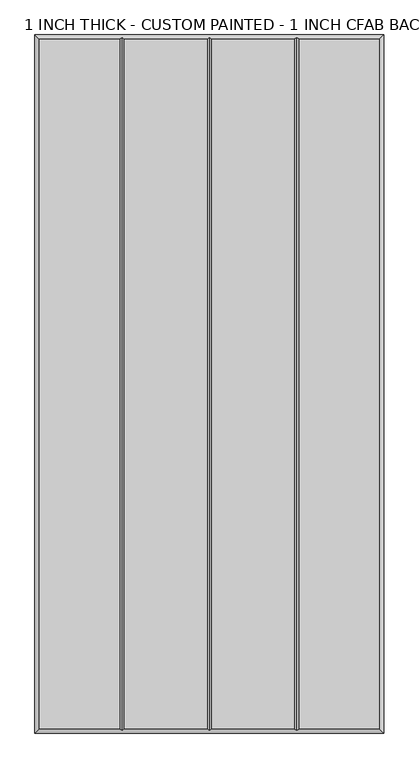
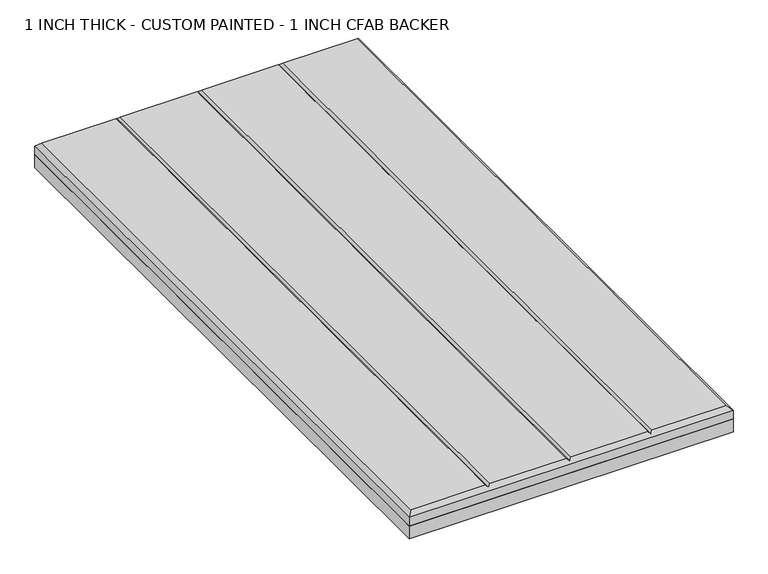
"""IFC4 building model written with IfcOpenShell, lengths in millimetres: proxy geometry, 1 INCH THICK - CUSTOM PAINTED - 1 INCH CFAB BACKER."""

import ifcopenshell
import ifcopenshell.guid

model = None  # the IFC model being written
_history = None  # IfcOwnerHistory: only IFC2X3 demands one
_inside = {}  # id of a spatial element -> (the spatial element, [elements in it])
_under = {}  # id of a project, library or spatial element -> (it, [spatial elements below it])
_declared = {}  # id of a project -> (the project, [libraries it declares])
_typed = {}  # id of a type object -> (the type object, [elements of that type])
_made_of = {}  # id of a material, layer set ... -> (it, [elements and type objects made of it])


def new_model(schema):
    """Start an empty IFC model of exactly this schema.

    Asked for "IFC4X3", IfcOpenShell would pick the latest addendum, in which some entities
    have other attributes; the version numbers below select the first issue.
    IFC2X3 requires an IfcOwnerHistory on every rooted entity: one is made here for all.
    """
    global model, _history
    if schema == "IFC4X3":
        model = ifcopenshell.file(schema_version=(4, 3, 0, 0))
    else:
        model = ifcopenshell.file(schema=schema)
    _inside.clear()
    _under.clear()
    _declared.clear()
    _typed.clear()
    _made_of.clear()
    _history = None
    if model.schema == "IFC2X3":
        org = make("IfcOrganization", Name="unknown")
        user = make(
            "IfcPersonAndOrganization",
            ThePerson=make("IfcPerson", FamilyName="unknown"),
            TheOrganization=org,
        )
        app = make(
            "IfcApplication",
            ApplicationDeveloper=org,
            Version="unknown",
            ApplicationFullName="unknown",
            ApplicationIdentifier="unknown",
        )
        _history = make(
            "IfcOwnerHistory",
            OwningUser=user,
            OwningApplication=app,
            ChangeAction="ADDED",
            CreationDate=0,
        )
    return model


def make(cls, **values):
    """One entity of the class cls with the attributes given. An attribute that is None is left unset."""
    return model.create_entity(
        cls, **{name: value for name, value in values.items() if value is not None}
    )


def rooted(cls, **values):
    """An entity with a GlobalId (a new one), such as an element, a storey or a relation."""
    return make(cls, GlobalId=ifcopenshell.guid.new(), OwnerHistory=_history, **values)


def si_unit(unit_type, name, prefix=None):
    """IfcSIUnit, for example si_unit("LENGTHUNIT", "METRE", prefix="MILLI")."""
    return make("IfcSIUnit", UnitType=unit_type, Prefix=prefix, Name=name)


def assignment(units):
    """IfcUnitAssignment: the units of a project."""
    return None if units is None else make("IfcUnitAssignment", Units=units)


def point(xyz):
    """IfcCartesianPoint."""
    return None if xyz is None else make("IfcCartesianPoint", Coordinates=xyz)


def direction(xyz):
    """IfcDirection."""
    return None if xyz is None else make("IfcDirection", DirectionRatios=xyz)


def frame(location, z_axis=None, x_axis=None):
    """IfcAxis2Placement3D, a coordinate frame: its origin and axes. An axis left out is left unset."""
    return make(
        "IfcAxis2Placement3D",
        Location=point(location),
        Axis=direction(z_axis),
        RefDirection=direction(x_axis),
    )


def origin():
    """The frame at (0, 0, 0) with its axes left unset."""
    return frame((0.0, 0.0, 0.0))


def place(relative_to, where):
    """IfcLocalPlacement: puts the frame where relative to a parent placement (None: the world)."""
    return make(
        "IfcLocalPlacement", PlacementRelTo=relative_to, RelativePlacement=where
    )


def context(
    kind, dimensions, precision=None, world=None, true_north=None, identifier=None
):
    """IfcGeometricRepresentationContext, for example the 3D "Model" context."""
    return make(
        "IfcGeometricRepresentationContext",
        ContextIdentifier=identifier,
        ContextType=kind,
        CoordinateSpaceDimension=dimensions,
        Precision=precision,
        WorldCoordinateSystem=world,
        TrueNorth=true_north,
    )


def project(units=None, contexts=None):
    """IfcProject with its units and contexts."""
    return rooted(
        "IfcProject",
        Name="project",
        RepresentationContexts=contexts,
        UnitsInContext=assignment(units),
    )


def spatial(cls, under=None, at=None, **own):
    """A site, building, storey or space (cls), placed at a placement, below another one or the project."""
    s = rooted(cls, ObjectPlacement=at, **own)
    if under is not None:
        _under.setdefault(under.id(), (under, []))[1].append(s)
    return s


def polyline(points):
    """IfcPolyline through the points."""
    return make("IfcPolyline", Points=[point(p) for p in points])


def outline(outer, holes=None, kind="AREA"):
    """IfcArbitraryClosedProfileDef: a profile drawn as a closed curve; with holes, ...WithVoids."""
    if holes is None:
        return make("IfcArbitraryClosedProfileDef", ProfileType=kind, OuterCurve=outer)
    return make(
        "IfcArbitraryProfileDefWithVoids",
        ProfileType=kind,
        OuterCurve=outer,
        InnerCurves=holes,
    )


def extrude(swept, where, along, depth):
    """IfcExtrudedAreaSolid: the profile swept, set in the frame where, extruded along a direction by depth."""
    return make(
        "IfcExtrudedAreaSolid",
        SweptArea=swept,
        Position=where,
        ExtrudedDirection=direction(along),
        Depth=depth,
    )


def faces_of(points, faces, orient=None, outer=None):
    """IfcFace entities. A face is a list of loops; a loop is a list of indices into points, from 0.

    orient and outer hold one flag for each loop. By default every Orientation is true, the
    first loop of a face is its IfcFaceOuterBound and the others are IfcFaceBound.
    """
    made = []
    for i, loops in enumerate(faces):
        bounds = []
        for j, loop in enumerate(loops):
            is_outer = j == 0 if outer is None else outer[i][j]
            bounds.append(
                make(
                    "IfcFaceOuterBound" if is_outer else "IfcFaceBound",
                    Bound=make("IfcPolyLoop", Polygon=[points[k] for k in loop]),
                    Orientation=True if orient is None else orient[i][j],
                )
            )
        made.append(make("IfcFace", Bounds=bounds))
    return made


def faceted_brep(points, faces, orient=None, outer=None, voids=None):
    """IfcFacetedBrep: a solid bounded by flat faces; with voids (closed shells), ...WithVoids."""
    shared = [point(p) for p in points]
    hull = make("IfcClosedShell", CfsFaces=faces_of(shared, faces, orient, outer))
    if voids is None:
        return make("IfcFacetedBrep", Outer=hull)
    return make(
        "IfcFacetedBrepWithVoids",
        Outer=hull,
        Voids=[
            make(cls, CfsFaces=faces_of(shared, fs, o, b)) for cls, fs, o, b in voids
        ],
    )


def shape(context_of_items, identifier, shape_type, items):
    """IfcShapeRepresentation: the items that make up one representation, for example the "Body"."""
    return make(
        "IfcShapeRepresentation",
        ContextOfItems=context_of_items,
        RepresentationIdentifier=identifier,
        RepresentationType=shape_type,
        Items=items,
    )


def source(mapping_origin, context_of_items, identifier, shape_type, items):
    """IfcRepresentationMap: a shape defined once, which mapped items show again and again."""
    return make(
        "IfcRepresentationMap",
        MappingOrigin=mapping_origin,
        MappedRepresentation=shape(context_of_items, identifier, shape_type, items),
    )


def transform(
    local_origin,
    x_axis=None,
    y_axis=None,
    z_axis=None,
    scale=None,
    scale2=None,
    scale3=None,
    uniform=True,
):
    """IfcCartesianTransformationOperator3D, or its non-uniform kind. x_axis, y_axis, z_axis: its Axis1, 2, 3."""
    if uniform:
        return make(
            "IfcCartesianTransformationOperator3D",
            Axis1=direction(x_axis),
            Axis2=direction(y_axis),
            LocalOrigin=point(local_origin),
            Scale=scale,
            Axis3=direction(z_axis),
        )
    return make(
        "IfcCartesianTransformationOperator3DnonUniform",
        Axis1=direction(x_axis),
        Axis2=direction(y_axis),
        LocalOrigin=point(local_origin),
        Scale=scale,
        Axis3=direction(z_axis),
        Scale2=scale2,
        Scale3=scale3,
    )


def mapped(mapping_source, mapping_target):
    """IfcMappedItem: shows the shape of a source again, moved by a transform."""
    return make(
        "IfcMappedItem", MappingSource=mapping_source, MappingTarget=mapping_target
    )


def made_of(thing, what):
    """Note that an element or type object is made of a material, layer set ...; save() writes the relation."""
    if what is not None:
        _made_of.setdefault(what.id(), (what, []))[1].append(thing)
    return thing


def element(
    cls,
    number,
    at=None,
    inside=None,
    cuts=None,
    type_object=None,
    material=None,
    context=None,
    identifier="Body",
    shape_type=None,
    held_by="IfcProductDefinitionShape",
    body=None,
    shapes=None,
    **own,
):
    """One element of the class cls, such as IfcWall. Its Tag is "e" and its number.

    at: its placement. inside: the storey or other place that contains it. cuts: it is an
    opening in that element (IfcRelVoidsElement). A single representation is given by context,
    identifier, shape_type and body (its items); several are given by shapes. held_by: the class
    of the entity that holds the representations. save() writes the other relations.
    """
    e = rooted(cls, Tag="e%d" % number, ObjectPlacement=at, **own)
    if body is not None:
        shapes = [shape(context, identifier, shape_type, body)]
    if shapes is not None:
        e.Representation = make(held_by, Representations=shapes)
    if inside is not None:
        _inside.setdefault(inside.id(), (inside, []))[1].append(e)
    if cuts is not None:
        rooted(
            "IfcRelVoidsElement", RelatingBuildingElement=cuts, RelatedOpeningElement=e
        )
    if type_object is not None:
        _typed.setdefault(type_object.id(), (type_object, []))[1].append(e)
    return made_of(e, material)


def aggregate(whole, parts):
    """IfcRelAggregates: a whole, such as a stair, and the parts it consists of."""
    return rooted("IfcRelAggregates", RelatingObject=whole, RelatedObjects=parts)


def save(model, path):
    """Write the relations noted so far, then the file.

    IfcRelAggregates (storeys below a building ...), IfcRelContainedInSpatialStructure (elements
    in a storey), IfcRelDefinesByType, IfcRelAssociatesMaterial and IfcRelDeclares: one each for
    every whole, place, type object, material and project.
    """
    for whole, parts in _under.values():
        aggregate(whole, parts)
    for where, things in _inside.values():
        rooted(
            "IfcRelContainedInSpatialStructure",
            RelatedElements=things,
            RelatingStructure=where,
        )
    for kind, things in _typed.values():
        rooted("IfcRelDefinesByType", RelatedObjects=things, RelatingType=kind)
    for what, things in _made_of.values():
        rooted("IfcRelAssociatesMaterial", RelatedObjects=things, RelatingMaterial=what)
    for by, libraries in _declared.values():
        rooted("IfcRelDeclares", RelatingContext=by, RelatedDefinitions=libraries)
    model.write(path)


def proxy_1_inch_thick_custom_painted_1_inch_cfab_backer_ca33e194(model_context):
    return source(origin(), model_context, "Body", "SolidModel", [
        extrude(outline(polyline([(-304.8, 609.6), (304.8, 609.6), (304.8, -609.6), (-304.8, -609.6), (-304.8, 609.6)])), frame((0.0, 0.0, -25.4), z_axis=(0.0, 0.0, 1.0), x_axis=(1.0, 0.0, 0.0)), (0.0, 0.0, 1.0), 25.4),
        faceted_brep([(-296.799, 601.599, 25.4), (-296.799, -601.599, 25.4), (-156.4009826, -601.599, 25.4), (-156.4009826, 601.599, 25.4), (296.799, -601.599, 25.4), (296.799, 601.599, 25.4), (156.4010334, 601.599, 25.4), (156.4010334, -601.599, 25.4), (-148.3999826, 601.599, 25.4), (-148.3999826, -601.599, 25.4), (-4.0004746, -601.599, 25.4), (-4.0004746, 601.599, 25.4), (4.0005254, 601.599, 25.4), (4.0005254, -601.599, 25.4), (148.4000334, -601.599, 25.4), (148.4000334, 601.599, 25.4), (-304.8, 609.6, 0.0), (304.8, 609.6, 0.0), (304.8, -609.6, 0.0), (-304.8, -609.6, 0.0), (-304.8, -609.6, 17.399), (-304.8, 609.6, 17.399), (304.8, -609.6, 17.399), (304.8, 609.6, 17.399), (-152.4004826, 605.5995, 21.3995), (2.54e-05, 605.5995, 21.3995), (152.4005334, 605.5995, 21.3995), (152.4005334, -605.5995, 21.3995), (2.54e-05, -605.5995, 21.3995), (-152.4004826, -605.5995, 21.3995)], [[[0, 1, 2, 3]], [[4, 5, 6, 7]], [[8, 9, 10, 11]], [[12, 13, 14, 15]], [[16, 17, 18, 19]], [[16, 19, 20, 21]], [[19, 18, 22, 20]], [[18, 17, 23, 22]], [[17, 16, 21, 23]], [[21, 0, 3, 24, 8, 11, 25, 12, 15, 26, 6, 5, 23]], [[0, 21, 20, 1]], [[1, 20, 22, 4, 7, 27, 14, 13, 28, 10, 9, 29, 2]], [[23, 5, 4, 22]], [[24, 29, 9, 8]], [[29, 24, 3, 2]], [[25, 28, 13, 12]], [[28, 25, 11, 10]], [[26, 27, 7, 6]], [[27, 26, 15, 14]]]),
    ])


if __name__ == "__main__":
    model = new_model("IFC4")
    model_context = context("Model", 3, world=origin())
    ifc_project = project(units=[si_unit("LENGTHUNIT", "METRE", prefix="MILLI")], contexts=[model_context])
    site = spatial("IfcSite", under=ifc_project)
    building = spatial("IfcBuilding", under=site)
    placement = place(None, origin())
    proxy_1_inch_thick_custom_painted_1_inch_cfab_backer_shape = proxy_1_inch_thick_custom_painted_1_inch_cfab_backer_ca33e194(model_context)
    element("IfcBuildingElementProxy", 1, Name="1 INCH THICK - CUSTOM PAINTED - 1 INCH CFAB BACKER", ObjectType="1 INCH THICK - CUSTOM PAINTED - 1 INCH CFAB BACKER", at=placement, inside=building, context=model_context, shape_type="MappedRepresentation", body=[
        mapped(proxy_1_inch_thick_custom_painted_1_inch_cfab_backer_shape, transform((0.0, 0.0, 0.0), x_axis=(1.0, 0.0, 0.0), y_axis=(0.0, 1.0, 0.0), z_axis=(0.0, 0.0, 1.0))),
    ])
    save(model, "model.ifc")
